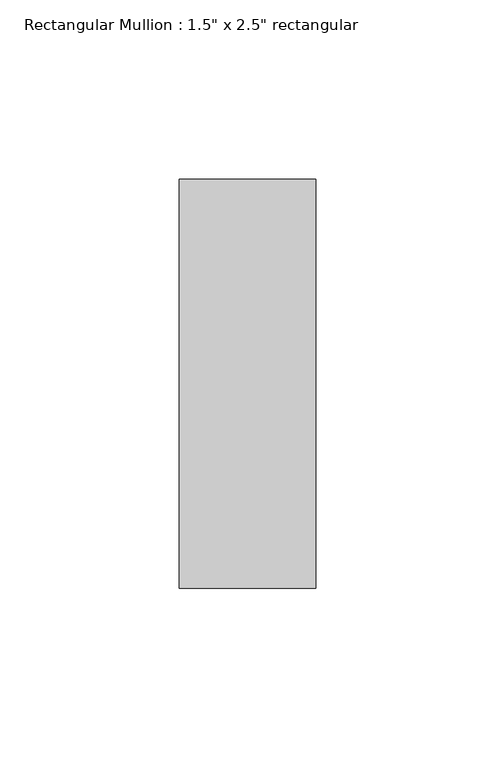
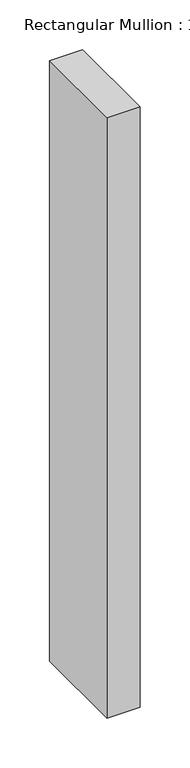
"""IFC4 building model written with IfcOpenShell, lengths in millimetres: member geometry."""

from ifc_helpers import new_model, si_unit, frame, origin, place, context, project, spatial, polyline, outline, extrude, source, transform, mapped, element, save


def member_16befe6d(model_context):
    return source(origin(), model_context, "Body", "SweptSolid", [
        extrude(outline(polyline([(19.05, 57.15), (19.05, -57.15), (-19.05, -57.15), (-19.05, 57.15), (19.05, 57.15)])), frame((0.0, 0.0, -733.425), z_axis=(0.0, 0.0, 1.0), x_axis=(1.0, 0.0, 0.0)), (0.0, 0.0, 1.0), 733.425),
    ])


if __name__ == "__main__":
    model = new_model("IFC4")
    model_context = context("Model", 3, world=origin())
    ifc_project = project(units=[si_unit("LENGTHUNIT", "METRE", prefix="MILLI")], contexts=[model_context])
    site = spatial("IfcSite", under=ifc_project)
    building = spatial("IfcBuilding", under=site)
    placement = place(None, origin())
    member_shape = member_16befe6d(model_context)
    element("IfcMember", 1, ObjectType="Rectangular Mullion : 1.5\" x 2.5\" rectangular", at=placement, inside=building, context=model_context, shape_type="MappedRepresentation", body=[
        mapped(member_shape, transform((0.0, 0.0, 0.0), x_axis=(1.0, 0.0, 0.0), y_axis=(0.0, 1.0, 0.0), z_axis=(0.0, 0.0, 1.0))),
    ])
    save(model, "model.ifc")
